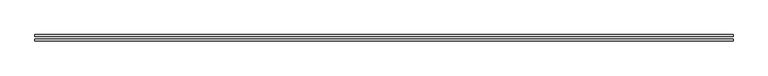
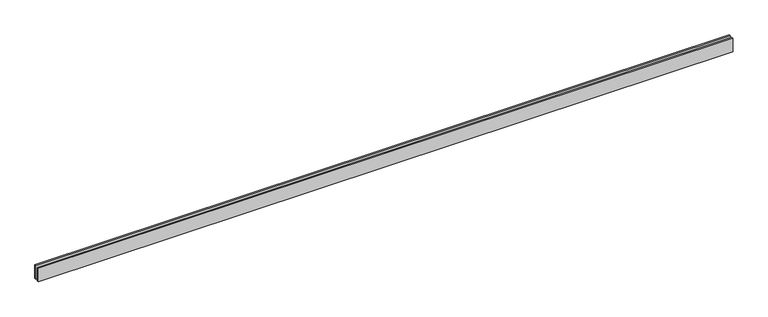
"""IFC4 building model written with IfcOpenShell, lengths in millimetres: proxy geometry."""

from ifc_helpers import new_model, si_unit, origin, origin_with_axes, place, context, project, spatial, polyline, outline, extrude, source, transform, mapped, element, save


def generic_models_a3bf9406(model_context):
    return source(origin(), model_context, "Body", "SweptSolid", [
        extrude(outline(polyline([(12397.4481912, -25.0), (12397.4481912, -55.0), (0.0, -55.0), (0.0, -25.0), (12397.4481912, -25.0)])), origin_with_axes(), (0.0, 0.0, 1.0), 250.0),
        extrude(outline(polyline([(12397.4481912, 55.0), (12397.4481912, 25.0), (0.0, 25.0), (0.0, 55.0), (12397.4481912, 55.0)])), origin_with_axes(), (0.0, 0.0, 1.0), 250.0),
    ])


if __name__ == "__main__":
    model = new_model("IFC4")
    model_context = context("Model", 3, world=origin())
    ifc_project = project(units=[si_unit("LENGTHUNIT", "METRE", prefix="MILLI")], contexts=[model_context])
    site = spatial("IfcSite", under=ifc_project)
    building = spatial("IfcBuilding", under=site)
    placement = place(None, origin())
    generic_models_shape = generic_models_a3bf9406(model_context)
    element("IfcBuildingElementProxy", 1, Name="Generic Models", at=placement, inside=building, context=model_context, shape_type="MappedRepresentation", body=[
        mapped(generic_models_shape, transform((0.0, 0.0, 0.0), x_axis=(1.0, 0.0, 0.0), y_axis=(0.0, 1.0, 0.0), z_axis=(0.0, 0.0, 1.0))),
    ])
    save(model, "model.ifc")
